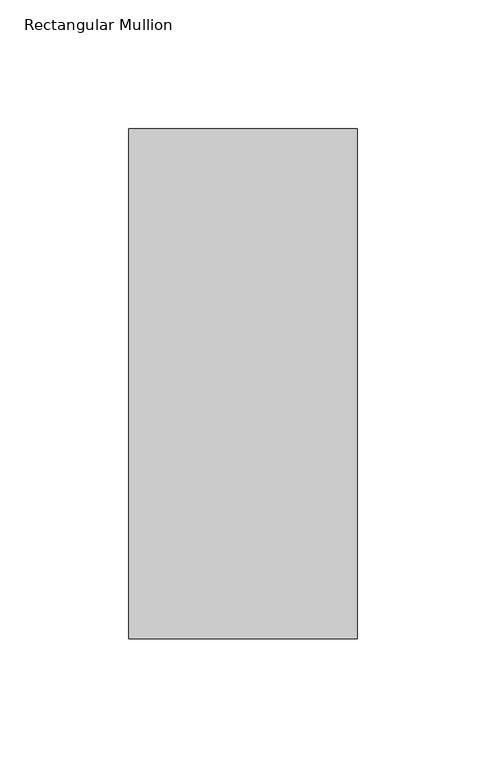
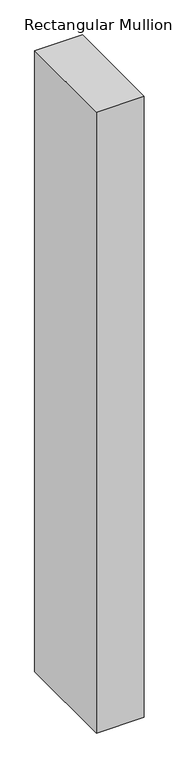
"""IFC4 building model written with IfcOpenShell, lengths in millimetres: member geometry, Rectangular Mullion."""

from ifc_helpers import new_model, si_unit, frame, origin, place, context, project, spatial, polyline, outline, extrude, source, transform, mapped, element, save


def rectangular_mullion_46e11914(model_context):
    return source(origin(), model_context, "Body", "SweptSolid", [
        extrude(outline(polyline([(-88.9, 42.06875), (0.0, 42.06875), (0.0, -156.36875), (-88.9, -156.36875), (-88.9, 42.06875)])), frame((0.0, 0.0, -1219.2), z_axis=(0.0, 0.0, 1.0), x_axis=(1.0, 0.0, 0.0)), (0.0, 0.0, 1.0), 1219.2),
    ])


if __name__ == "__main__":
    model = new_model("IFC4")
    model_context = context("Model", 3, world=origin())
    ifc_project = project(units=[si_unit("LENGTHUNIT", "METRE", prefix="MILLI")], contexts=[model_context])
    site = spatial("IfcSite", under=ifc_project)
    building = spatial("IfcBuilding", under=site)
    placement = place(None, origin())
    rectangular_mullion_shape = rectangular_mullion_46e11914(model_context)
    element("IfcMember", 1, ObjectType="Rectangular Mullion", at=placement, inside=building, context=model_context, shape_type="MappedRepresentation", body=[
        mapped(rectangular_mullion_shape, transform((0.0, 0.0, 0.0), x_axis=(1.0, 0.0, 0.0), y_axis=(0.0, 1.0, 0.0), z_axis=(0.0, 0.0, 1.0))),
    ])
    save(model, "model.ifc")
